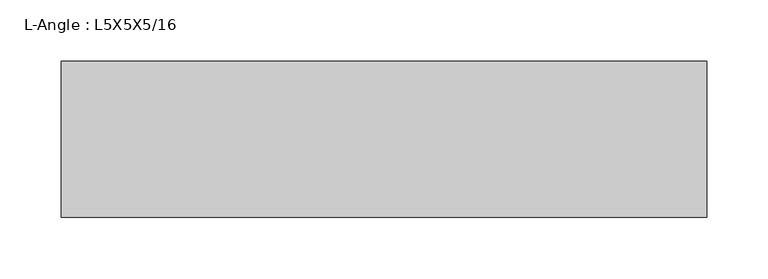
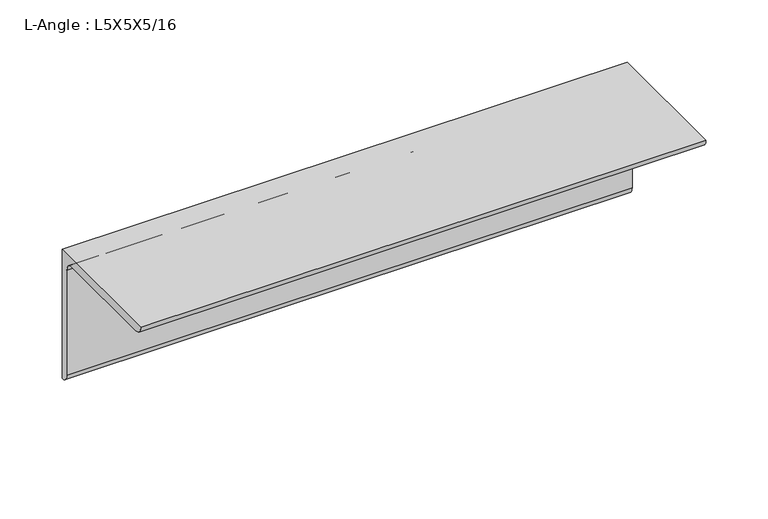
"""IFC4 building model written with IfcOpenShell, lengths in millimetres: beam geometry, L-Angle : L5X5X5/16."""

from ifc_helpers import new_model, si_unit, point, frame, frame_2d, origin, place, context, project, spatial, polyline, circle_curve, trimmed, segment, composite_curve, outline, extrude, source, transform, mapped, element, save


def l_angle_l5x5x5_16_c60c89c5(model_context):
    return source(origin(), model_context, "Body", "SweptSolid", [
        extrude(outline(composite_curve([segment(polyline([(34.3296875, 34.3296875), (34.3296875, -92.6703125)]), True, "CONTINUOUS"), segment(trimmed(circle_curve(frame_2d((34.3296875, -84.7328125)), 7.9375), [point((34.3296875, -92.6703125))], [point((26.3921875, -84.7328125))], False, "CARTESIAN"), True, "CONTINUOUS"), segment(polyline([(26.3921875, -84.7328125), (26.3921875, 18.4546875)]), True, "CONTINUOUS"), segment(trimmed(circle_curve(frame_2d((18.4546875, 18.4546875)), 7.9375), [point((26.3921875, 18.4546875))], [point((18.4546875, 26.3921875))], True, "CARTESIAN"), True, "CONTINUOUS"), segment(polyline([(18.4546875, 26.3921875), (-84.7328125, 26.3921875)]), True, "CONTINUOUS"), segment(trimmed(circle_curve(frame_2d((-84.7328125, 34.3296875)), 7.9375), [point((-84.7328125, 26.3921875))], [point((-92.6703125, 34.3296875))], False, "CARTESIAN"), True, "CONTINUOUS"), segment(polyline([(-92.6703125, 34.3296875), (34.3296875, 34.3296875)]), True, "CONTINUOUS")], self_intersect=False)), frame((-262.9296875, 0.0, 0.0), z_axis=(1.0, 0.0, 0.0), x_axis=(0.0, 1.0, 0.0)), (0.0, 0.0, 1.0), 525.859375),
    ])


if __name__ == "__main__":
    model = new_model("IFC4")
    model_context = context("Model", 3, world=origin())
    ifc_project = project(units=[si_unit("LENGTHUNIT", "METRE", prefix="MILLI")], contexts=[model_context])
    site = spatial("IfcSite", under=ifc_project)
    building = spatial("IfcBuilding", under=site)
    placement = place(None, origin())
    l_angle_l5x5x5_16_shape = l_angle_l5x5x5_16_c60c89c5(model_context)
    element("IfcBeam", 1, ObjectType="L-Angle : L5X5X5/16", at=placement, inside=building, context=model_context, shape_type="MappedRepresentation", body=[
        mapped(l_angle_l5x5x5_16_shape, transform((0.0, 0.0, 0.0), x_axis=(1.0, 0.0, 0.0), y_axis=(0.0, 1.0, 0.0), z_axis=(0.0, 0.0, 1.0))),
    ])
    save(model, "model.ifc")
